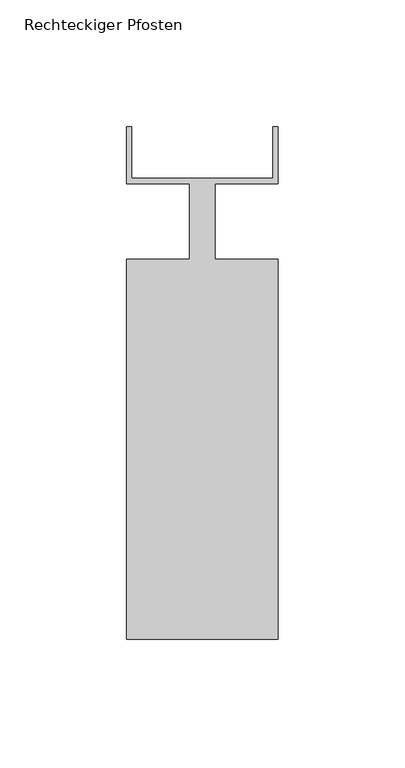
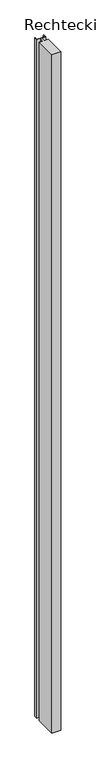
"""IFC4 building model written with IfcOpenShell, lengths in millimetres: member geometry, Rechteckiger Pfosten."""

from ifc_helpers import new_model, si_unit, frame, origin, place, context, project, spatial, polyline, outline, extrude, source, transform, mapped, element, save


def rechteckiger_pfosten_059c6c36(model_context):
    return source(origin(), model_context, "Body", "SweptSolid", [
        extrude(outline(polyline([(-58.0, 37.5), (-58.0, 17.0), (-2.0, 17.0), (-2.0, 37.5), (0.0, 37.5), (0.0, 15.0), (-25.0, 15.0), (-25.0, -15.0), (0.0, -15.0), (0.0, -165.0), (-60.0, -165.0), (-60.0, -15.0), (-35.0, -15.0), (-35.0, 15.0), (-60.0, 15.0), (-60.0, 37.5), (-58.0, 37.5)])), frame((0.0, 0.0, -4909.9999995), z_axis=(0.0, 0.0, 1.0), x_axis=(1.0, 0.0, 0.0)), (0.0, 0.0, 1.0), 4909.9999995),
    ])


if __name__ == "__main__":
    model = new_model("IFC4")
    model_context = context("Model", 3, world=origin())
    ifc_project = project(units=[si_unit("LENGTHUNIT", "METRE", prefix="MILLI")], contexts=[model_context])
    site = spatial("IfcSite", under=ifc_project)
    building = spatial("IfcBuilding", under=site)
    placement = place(None, origin())
    rechteckiger_pfosten_shape = rechteckiger_pfosten_059c6c36(model_context)
    element("IfcMember", 1, ObjectType="Rechteckiger Pfosten", at=placement, inside=building, context=model_context, shape_type="MappedRepresentation", body=[
        mapped(rechteckiger_pfosten_shape, transform((0.0, 0.0, 0.0), x_axis=(1.0, 0.0, 0.0), y_axis=(0.0, 1.0, 0.0), z_axis=(0.0, 0.0, 1.0))),
    ])
    save(model, "model.ifc")
